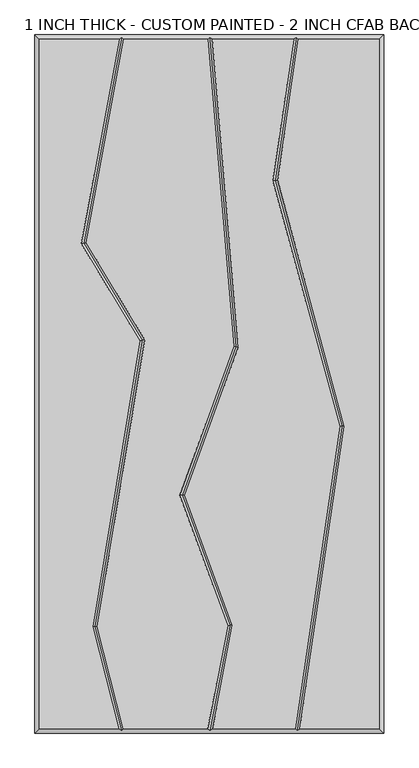
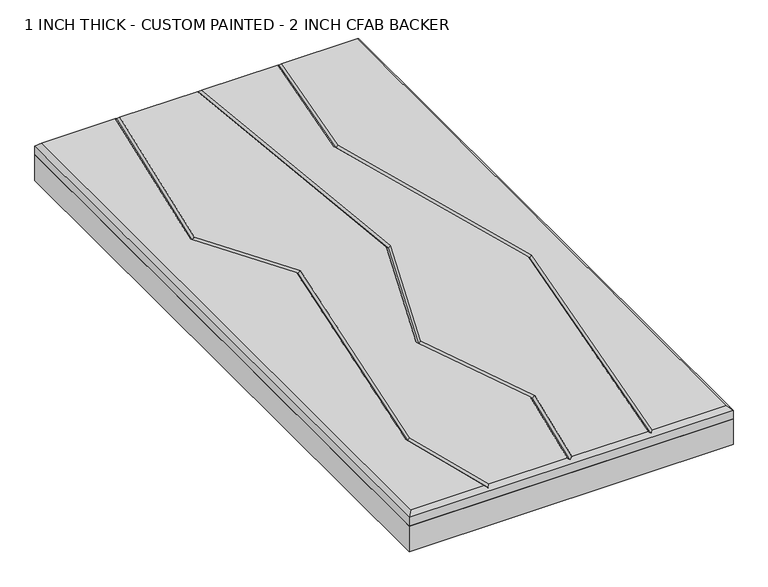
"""IFC4 building model written with IfcOpenShell, lengths in millimetres: proxy geometry, 1 INCH THICK - CUSTOM PAINTED - 2 INCH CFAB BACKER."""

from ifc_helpers import new_model, si_unit, frame, origin, place, context, project, spatial, polyline, outline, extrude, faceted_brep, source, transform, mapped, element, save


def proxy_1_inch_thick_custom_painted_2_inch_cfab_backer_0731d267(model_context):
    return source(origin(), model_context, "Body", "SolidModel", [
        extrude(outline(polyline([(-304.8, 609.6), (304.8, 609.6), (304.8, -609.6), (-304.8, -609.6), (-304.8, 609.6)])), frame((0.0, 0.0, -50.8), z_axis=(0.0, 0.0, 1.0), x_axis=(1.0, 0.0, 0.0)), (0.0, 0.0, 1.0), 50.8),
        faceted_brep([(-296.799, 601.599, 25.4), (-296.799, -601.599, 25.4), (-158.5803509, -601.599, 25.4), (-204.1076125, -423.9126768, 25.4), (-121.6761617, 75.6458719, 25.4), (-223.5207333, 244.8349563, 25.4), (-157.9388411, 601.599, 25.4), (296.799, -601.599, 25.4), (296.799, 601.599, 25.4), (155.2631596, 601.599, 25.4), (118.9316967, 355.4997887, 25.4), (235.610381, -73.3512983, 25.4), (157.6255242, -601.599, 25.4), (-195.9395558, -423.5559486, 25.4), (-150.3208924, -601.599, 25.4), (-2.5427902, -601.599, 25.4), (31.8547327, -421.752345, 25.4), (-51.4382369, -194.5897006, 25.4), (42.0141797, 65.5616213, 25.4), (-3.3378717, 601.599, 25.4), (-149.8037818, 601.599, 25.4), (-215.1040836, 246.3668022, 25.4), (-113.3024346, 77.2490229, 25.4), (40.1296065, -421.0786666, 25.4), (5.6032357, -601.599, 25.4), (149.5378056, -601.599, 25.4), (227.4508614, -73.8376585, 25.4), (110.7721771, 355.0134284, 25.4), (147.175441, 601.599, 25.4), (4.6917136, 601.599, 25.4), (50.1337385, 64.4981813, 25.4), (-42.9266108, -194.5617101, 25.4), (-304.8, 609.6, 0.0), (304.8, 609.6, 0.0), (304.8, -609.6, 0.0), (-304.8, -609.6, 0.0), (-304.8, -609.6, 17.399), (-304.8, 609.6, 17.399), (304.8, -609.6, 17.399), (304.8, 609.6, 17.399), (-153.1359224, 605.5995, 21.3995), (0.3384541, 605.5995, 21.3995), (151.8098914, 605.5995, 21.3995), (152.9910738, -605.5995, 21.3995), (0.765086, -605.5995, 21.3995), (-153.4256029, -605.5995, 21.3995), (-200.0235842, -423.7343127, 21.3995), (-117.4892982, 76.4474474, 21.3995), (-219.3124085, 245.6008793, 21.3995), (35.9921696, -421.4155058, 21.3995), (-47.1824239, -194.5757053, 21.3995), (46.0739591, 65.0299013, 21.3995), (231.5306212, -73.5944784, 21.3995), (114.8519369, 355.2566085, 21.3995)], [[[0, 1, 2, 3, 4, 5, 6]], [[7, 8, 9, 10, 11, 12]], [[13, 14, 15, 16, 17, 18, 19, 20, 21, 22]], [[23, 24, 25, 26, 27, 28, 29, 30, 31]], [[32, 33, 34, 35]], [[32, 35, 36, 37]], [[35, 34, 38, 36]], [[34, 33, 39, 38]], [[33, 32, 37, 39]], [[37, 0, 6, 40, 20, 19, 41, 29, 28, 42, 9, 8, 39]], [[0, 37, 36, 1]], [[1, 36, 38, 7, 12, 43, 25, 24, 44, 15, 14, 45, 2]], [[39, 8, 7, 38]], [[46, 3, 2, 45]], [[13, 46, 45, 14]], [[3, 46, 47, 4]], [[46, 13, 22, 47]], [[4, 47, 48, 5]], [[47, 22, 21, 48]], [[5, 48, 40, 6]], [[48, 21, 20, 40]], [[49, 16, 15, 44]], [[23, 49, 44, 24]], [[16, 49, 50, 17]], [[49, 23, 31, 50]], [[17, 50, 51, 18]], [[50, 31, 30, 51]], [[18, 51, 41, 19]], [[51, 30, 29, 41]], [[52, 26, 25, 43]], [[11, 52, 43, 12]], [[26, 52, 53, 27]], [[52, 11, 10, 53]], [[27, 53, 42, 28]], [[53, 10, 9, 42]]]),
    ])


if __name__ == "__main__":
    model = new_model("IFC4")
    model_context = context("Model", 3, world=origin())
    ifc_project = project(units=[si_unit("LENGTHUNIT", "METRE", prefix="MILLI")], contexts=[model_context])
    site = spatial("IfcSite", under=ifc_project)
    building = spatial("IfcBuilding", under=site)
    placement = place(None, origin())
    proxy_1_inch_thick_custom_painted_2_inch_cfab_backer_shape = proxy_1_inch_thick_custom_painted_2_inch_cfab_backer_0731d267(model_context)
    element("IfcBuildingElementProxy", 1, Name="1 INCH THICK - CUSTOM PAINTED - 2 INCH CFAB BACKER", ObjectType="1 INCH THICK - CUSTOM PAINTED - 2 INCH CFAB BACKER", at=placement, inside=building, context=model_context, shape_type="MappedRepresentation", body=[
        mapped(proxy_1_inch_thick_custom_painted_2_inch_cfab_backer_shape, transform((0.0, 0.0, 0.0), x_axis=(1.0, 0.0, 0.0), y_axis=(0.0, 1.0, 0.0), z_axis=(0.0, 0.0, 1.0))),
    ])
    save(model, "model.ifc")
